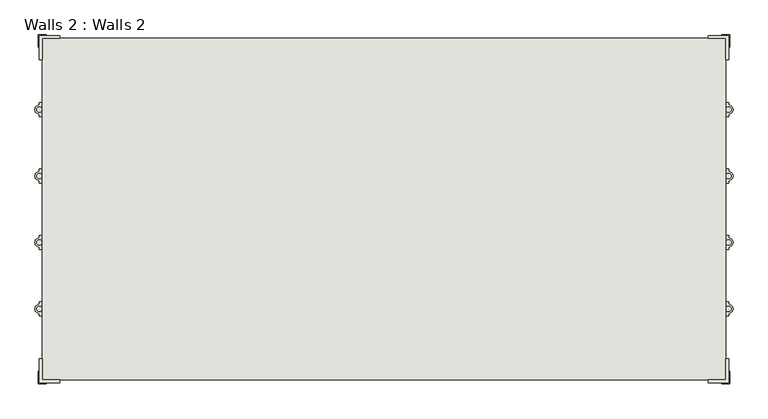
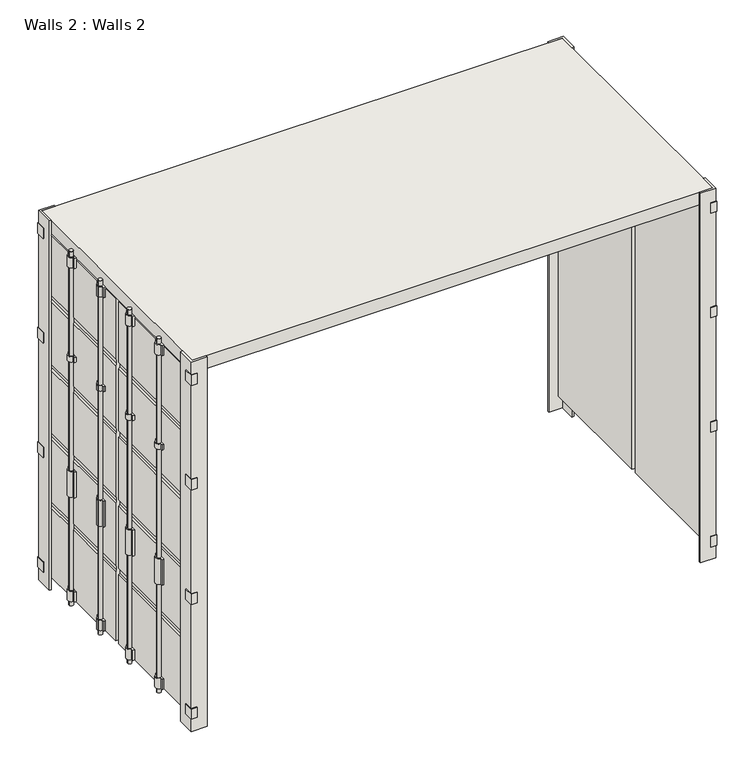
"""IFC4 building model written with IfcOpenShell, lengths in millimetres: wall geometry, Walls 2 : Walls 2."""

from ifc_helpers import new_model, si_unit, point, frame, frame_2d, origin, origin_with_axes, place, context, project, spatial, polyline, circle_curve, trimmed, segment, composite_curve, outline, extrude, source, transform, mapped, element, save


def walls_2_walls_2_3398b78e(model_context):
    return source(origin(), model_context, "Body", "SweptSolid", [
        extrude(outline(composite_curve([segment(polyline([(8621.0934712, -173.1048078), (8621.0934712, -192.1548078)]), True, "CONTINUOUS"), segment(trimmed(circle_curve(frame_2d((8621.0934712, -223.9048078)), 31.75), [point((8621.0934712, -192.1548078))], [point((8621.0934712, -255.6548078))], False, "CARTESIAN"), True, "CONTINUOUS"), segment(polyline([(8621.0934712, -255.6548078), (8621.0934712, -274.7048078), (8588.573087, -274.7048078), (8588.573087, -173.1048078), (8621.0934712, -173.1048078)]), True, "CONTINUOUS")], self_intersect=False), holes=[composite_curve([segment(trimmed(circle_curve(frame_2d((8621.0934712, -223.9048078)), 19.05), [point((8602.0434712, -223.9048078))], [point((8640.1434712, -223.9048078))], True, "CARTESIAN"), True, "CONTINUOUS"), segment(trimmed(circle_curve(frame_2d((8621.0934712, -223.9048078)), 19.05), [point((8640.1434712, -223.9048078))], [point((8602.0434712, -223.9048078))], True, "CARTESIAN"), True, "CONTINUOUS")], self_intersect=False)]), frame((0.0, 0.0, 1363.1333333), z_axis=(0.0, 0.0, 1.0), x_axis=(1.0, 0.0, 0.0)), (0.0, 0.0, 1.0), 50.8),
        extrude(outline(composite_curve([segment(polyline([(8621.0934712, -647.2381411), (8621.0934712, -666.2881411)]), True, "CONTINUOUS"), segment(trimmed(circle_curve(frame_2d((8621.0934712, -698.0381411)), 31.75), [point((8621.0934712, -666.2881411))], [point((8621.0934712, -729.7881411))], False, "CARTESIAN"), True, "CONTINUOUS"), segment(polyline([(8621.0934712, -729.7881411), (8621.0934712, -748.8381411), (8588.573087, -748.8381411), (8588.573087, -647.2381411), (8621.0934712, -647.2381411)]), True, "CONTINUOUS")], self_intersect=False), holes=[composite_curve([segment(trimmed(circle_curve(frame_2d((8621.0934712, -698.0381411)), 19.05), [point((8602.0434712, -698.0381411))], [point((8640.1434712, -698.0381411))], True, "CARTESIAN"), True, "CONTINUOUS"), segment(trimmed(circle_curve(frame_2d((8621.0934712, -698.0381411)), 19.05), [point((8640.1434712, -698.0381411))], [point((8602.0434712, -698.0381411))], True, "CARTESIAN"), True, "CONTINUOUS")], self_intersect=False)]), frame((0.0, 0.0, 1363.1333333), z_axis=(0.0, 0.0, 1.0), x_axis=(1.0, 0.0, 0.0)), (0.0, 0.0, 1.0), 50.8),
        extrude(outline(composite_curve([segment(polyline([(8621.0934712, -1121.3714744), (8621.0934712, -1140.4214744)]), True, "CONTINUOUS"), segment(trimmed(circle_curve(frame_2d((8621.0934712, -1172.1714744)), 31.75), [point((8621.0934712, -1140.4214744))], [point((8621.0934712, -1203.9214744))], False, "CARTESIAN"), True, "CONTINUOUS"), segment(polyline([(8621.0934712, -1203.9214744), (8621.0934712, -1222.9714744), (8588.573087, -1222.9714744), (8588.573087, -1121.3714744), (8621.0934712, -1121.3714744)]), True, "CONTINUOUS")], self_intersect=False), holes=[composite_curve([segment(trimmed(circle_curve(frame_2d((8621.0934712, -1172.1714744)), 19.05), [point((8602.0434712, -1172.1714744))], [point((8640.1434712, -1172.1714744))], True, "CARTESIAN"), True, "CONTINUOUS"), segment(trimmed(circle_curve(frame_2d((8621.0934712, -1172.1714744)), 19.05), [point((8640.1434712, -1172.1714744))], [point((8602.0434712, -1172.1714744))], True, "CARTESIAN"), True, "CONTINUOUS")], self_intersect=False)]), frame((0.0, 0.0, 1363.1333333), z_axis=(0.0, 0.0, 1.0), x_axis=(1.0, 0.0, 0.0)), (0.0, 0.0, 1.0), 50.8),
        extrude(outline(composite_curve([segment(polyline([(8621.0934712, -1595.5048078), (8621.0934712, -1614.5548078)]), True, "CONTINUOUS"), segment(trimmed(circle_curve(frame_2d((8621.0934712, -1646.3048078)), 31.75), [point((8621.0934712, -1614.5548078))], [point((8621.0934712, -1678.0548078))], False, "CARTESIAN"), True, "CONTINUOUS"), segment(polyline([(8621.0934712, -1678.0548078), (8621.0934712, -1697.1048078), (8588.573087, -1697.1048078), (8588.573087, -1595.5048078), (8621.0934712, -1595.5048078)]), True, "CONTINUOUS")], self_intersect=False), holes=[composite_curve([segment(trimmed(circle_curve(frame_2d((8621.0934712, -1646.3048078)), 19.05), [point((8602.0434712, -1646.3048078))], [point((8640.1434712, -1646.3048078))], True, "CARTESIAN"), True, "CONTINUOUS"), segment(trimmed(circle_curve(frame_2d((8621.0934712, -1646.3048078)), 19.05), [point((8640.1434712, -1646.3048078))], [point((8602.0434712, -1646.3048078))], True, "CARTESIAN"), True, "CONTINUOUS")], self_intersect=False)]), frame((0.0, 0.0, 1363.1333333), z_axis=(0.0, 0.0, 1.0), x_axis=(1.0, 0.0, 0.0)), (0.0, 0.0, 1.0), 50.8),
        extrude(outline(composite_curve([segment(polyline([(3706.1934712, -173.1048078), (3738.7138554, -173.1048078), (3738.7138554, -274.7048078), (3706.1934712, -274.7048078), (3706.1934712, -255.6548078)]), True, "CONTINUOUS"), segment(trimmed(circle_curve(frame_2d((3706.1934712, -223.9048078)), 31.75), [point((3706.1934712, -255.6548078))], [point((3706.1934712, -192.1548078))], False, "CARTESIAN"), True, "CONTINUOUS"), segment(polyline([(3706.1934712, -192.1548078), (3706.1934712, -173.1048078)]), True, "CONTINUOUS")], self_intersect=False), holes=[composite_curve([segment(trimmed(circle_curve(frame_2d((3706.1934712, -223.9048078)), 19.05), [point((3725.2434712, -223.9048078))], [point((3687.1434712, -223.9048078))], True, "CARTESIAN"), True, "CONTINUOUS"), segment(trimmed(circle_curve(frame_2d((3706.1934712, -223.9048078)), 19.05), [point((3687.1434712, -223.9048078))], [point((3725.2434712, -223.9048078))], True, "CARTESIAN"), True, "CONTINUOUS")], self_intersect=False)]), frame((0.0, 0.0, 1159.9333333), z_axis=(0.0, 0.0, 1.0), x_axis=(1.0, 0.0, 0.0)), (0.0, 0.0, 1.0), 254.0),
        extrude(outline(composite_curve([segment(polyline([(3706.1934712, -647.2381411), (3738.7138554, -647.2381411), (3738.7138554, -748.8381411), (3706.1934712, -748.8381411), (3706.1934712, -729.7881411)]), True, "CONTINUOUS"), segment(trimmed(circle_curve(frame_2d((3706.1934712, -698.0381411)), 31.75), [point((3706.1934712, -729.7881411))], [point((3706.1934712, -666.2881411))], False, "CARTESIAN"), True, "CONTINUOUS"), segment(polyline([(3706.1934712, -666.2881411), (3706.1934712, -647.2381411)]), True, "CONTINUOUS")], self_intersect=False), holes=[composite_curve([segment(trimmed(circle_curve(frame_2d((3706.1934712, -698.0381411)), 19.05), [point((3725.2434712, -698.0381411))], [point((3687.1434712, -698.0381411))], True, "CARTESIAN"), True, "CONTINUOUS"), segment(trimmed(circle_curve(frame_2d((3706.1934712, -698.0381411)), 19.05), [point((3687.1434712, -698.0381411))], [point((3725.2434712, -698.0381411))], True, "CARTESIAN"), True, "CONTINUOUS")], self_intersect=False)]), frame((0.0, 0.0, 1159.9333333), z_axis=(0.0, 0.0, 1.0), x_axis=(1.0, 0.0, 0.0)), (0.0, 0.0, 1.0), 254.0),
        extrude(outline(composite_curve([segment(polyline([(3706.1934712, -1121.3714744), (3738.7138554, -1121.3714744), (3738.7138554, -1222.9714744), (3706.1934712, -1222.9714744), (3706.1934712, -1203.9214744)]), True, "CONTINUOUS"), segment(trimmed(circle_curve(frame_2d((3706.1934712, -1172.1714744)), 31.75), [point((3706.1934712, -1203.9214744))], [point((3706.1934712, -1140.4214744))], False, "CARTESIAN"), True, "CONTINUOUS"), segment(polyline([(3706.1934712, -1140.4214744), (3706.1934712, -1121.3714744)]), True, "CONTINUOUS")], self_intersect=False), holes=[composite_curve([segment(trimmed(circle_curve(frame_2d((3706.1934712, -1172.1714744)), 19.05), [point((3725.2434712, -1172.1714744))], [point((3687.1434712, -1172.1714744))], True, "CARTESIAN"), True, "CONTINUOUS"), segment(trimmed(circle_curve(frame_2d((3706.1934712, -1172.1714744)), 19.05), [point((3687.1434712, -1172.1714744))], [point((3725.2434712, -1172.1714744))], True, "CARTESIAN"), True, "CONTINUOUS")], self_intersect=False)]), frame((0.0, 0.0, 1159.9333333), z_axis=(0.0, 0.0, 1.0), x_axis=(1.0, 0.0, 0.0)), (0.0, 0.0, 1.0), 254.0),
        extrude(outline(composite_curve([segment(polyline([(3706.1934712, -1595.5048078), (3738.7138554, -1595.5048078), (3738.7138554, -1697.1048078), (3706.1934712, -1697.1048078), (3706.1934712, -1678.0548078)]), True, "CONTINUOUS"), segment(trimmed(circle_curve(frame_2d((3706.1934712, -1646.3048078)), 31.75), [point((3706.1934712, -1678.0548078))], [point((3706.1934712, -1614.5548078))], False, "CARTESIAN"), True, "CONTINUOUS"), segment(polyline([(3706.1934712, -1614.5548078), (3706.1934712, -1595.5048078)]), True, "CONTINUOUS")], self_intersect=False), holes=[composite_curve([segment(trimmed(circle_curve(frame_2d((3706.1934712, -1646.3048078)), 19.05), [point((3725.2434712, -1646.3048078))], [point((3687.1434712, -1646.3048078))], True, "CARTESIAN"), True, "CONTINUOUS"), segment(trimmed(circle_curve(frame_2d((3706.1934712, -1646.3048078)), 19.05), [point((3687.1434712, -1646.3048078))], [point((3725.2434712, -1646.3048078))], True, "CARTESIAN"), True, "CONTINUOUS")], self_intersect=False)]), frame((0.0, 0.0, 1159.9333333), z_axis=(0.0, 0.0, 1.0), x_axis=(1.0, 0.0, 0.0)), (0.0, 0.0, 1.0), 254.0),
        extrude(outline(composite_curve([segment(polyline([(3706.1934712, -173.1048078), (3738.7138554, -173.1048078), (3738.7138554, -274.7048078), (3706.1934712, -274.7048078), (3706.1934712, -255.6548078)]), True, "CONTINUOUS"), segment(trimmed(circle_curve(frame_2d((3706.1934712, -223.9048078)), 31.75), [point((3706.1934712, -255.6548078))], [point((3706.1934712, -192.1548078))], False, "CARTESIAN"), True, "CONTINUOUS"), segment(polyline([(3706.1934712, -192.1548078), (3706.1934712, -173.1048078)]), True, "CONTINUOUS")], self_intersect=False), holes=[composite_curve([segment(trimmed(circle_curve(frame_2d((3706.1934712, -223.9048078)), 19.05), [point((3725.2434712, -223.9048078))], [point((3687.1434712, -223.9048078))], True, "CARTESIAN"), True, "CONTINUOUS"), segment(trimmed(circle_curve(frame_2d((3706.1934712, -223.9048078)), 19.05), [point((3687.1434712, -223.9048078))], [point((3725.2434712, -223.9048078))], True, "CARTESIAN"), True, "CONTINUOUS")], self_intersect=False)]), frame((0.0, 0.0, 2497.6666667), z_axis=(0.0, 0.0, 1.0), x_axis=(1.0, 0.0, 0.0)), (0.0, 0.0, 1.0), 50.8),
        extrude(outline(composite_curve([segment(polyline([(3706.1934712, -647.2381411), (3738.7138554, -647.2381411), (3738.7138554, -748.8381411), (3706.1934712, -748.8381411), (3706.1934712, -729.7881411)]), True, "CONTINUOUS"), segment(trimmed(circle_curve(frame_2d((3706.1934712, -698.0381411)), 31.75), [point((3706.1934712, -729.7881411))], [point((3706.1934712, -666.2881411))], False, "CARTESIAN"), True, "CONTINUOUS"), segment(polyline([(3706.1934712, -666.2881411), (3706.1934712, -647.2381411)]), True, "CONTINUOUS")], self_intersect=False), holes=[composite_curve([segment(trimmed(circle_curve(frame_2d((3706.1934712, -698.0381411)), 19.05), [point((3725.2434712, -698.0381411))], [point((3687.1434712, -698.0381411))], True, "CARTESIAN"), True, "CONTINUOUS"), segment(trimmed(circle_curve(frame_2d((3706.1934712, -698.0381411)), 19.05), [point((3687.1434712, -698.0381411))], [point((3725.2434712, -698.0381411))], True, "CARTESIAN"), True, "CONTINUOUS")], self_intersect=False)]), frame((0.0, 0.0, 2497.6666667), z_axis=(0.0, 0.0, 1.0), x_axis=(1.0, 0.0, 0.0)), (0.0, 0.0, 1.0), 50.8),
        extrude(outline(composite_curve([segment(polyline([(3706.1934712, -1121.3714744), (3738.7138554, -1121.3714744), (3738.7138554, -1222.9714744), (3706.1934712, -1222.9714744), (3706.1934712, -1203.9214744)]), True, "CONTINUOUS"), segment(trimmed(circle_curve(frame_2d((3706.1934712, -1172.1714744)), 31.75), [point((3706.1934712, -1203.9214744))], [point((3706.1934712, -1140.4214744))], False, "CARTESIAN"), True, "CONTINUOUS"), segment(polyline([(3706.1934712, -1140.4214744), (3706.1934712, -1121.3714744)]), True, "CONTINUOUS")], self_intersect=False), holes=[composite_curve([segment(trimmed(circle_curve(frame_2d((3706.1934712, -1172.1714744)), 19.05), [point((3725.2434712, -1172.1714744))], [point((3687.1434712, -1172.1714744))], True, "CARTESIAN"), True, "CONTINUOUS"), segment(trimmed(circle_curve(frame_2d((3706.1934712, -1172.1714744)), 19.05), [point((3687.1434712, -1172.1714744))], [point((3725.2434712, -1172.1714744))], True, "CARTESIAN"), True, "CONTINUOUS")], self_intersect=False)]), frame((0.0, 0.0, 2497.6666667), z_axis=(0.0, 0.0, 1.0), x_axis=(1.0, 0.0, 0.0)), (0.0, 0.0, 1.0), 50.8),
        extrude(outline(composite_curve([segment(polyline([(3706.1934712, -1595.5048078), (3738.7138554, -1595.5048078), (3738.7138554, -1697.1048078), (3706.1934712, -1697.1048078), (3706.1934712, -1678.0548078)]), True, "CONTINUOUS"), segment(trimmed(circle_curve(frame_2d((3706.1934712, -1646.3048078)), 31.75), [point((3706.1934712, -1678.0548078))], [point((3706.1934712, -1614.5548078))], False, "CARTESIAN"), True, "CONTINUOUS"), segment(polyline([(3706.1934712, -1614.5548078), (3706.1934712, -1595.5048078)]), True, "CONTINUOUS")], self_intersect=False), holes=[composite_curve([segment(trimmed(circle_curve(frame_2d((3706.1934712, -1646.3048078)), 19.05), [point((3725.2434712, -1646.3048078))], [point((3687.1434712, -1646.3048078))], True, "CARTESIAN"), True, "CONTINUOUS"), segment(trimmed(circle_curve(frame_2d((3706.1934712, -1646.3048078)), 19.05), [point((3687.1434712, -1646.3048078))], [point((3725.2434712, -1646.3048078))], True, "CARTESIAN"), True, "CONTINUOUS")], self_intersect=False)]), frame((0.0, 0.0, 2497.6666667), z_axis=(0.0, 0.0, 1.0), x_axis=(1.0, 0.0, 0.0)), (0.0, 0.0, 1.0), 50.8),
        extrude(outline(composite_curve([segment(polyline([(3706.1934712, -173.1048078), (3738.7138554, -173.1048078), (3738.7138554, -274.7048078), (3706.1934712, -274.7048078), (3706.1934712, -255.6548078)]), True, "CONTINUOUS"), segment(trimmed(circle_curve(frame_2d((3706.1934712, -223.9048078)), 31.75), [point((3706.1934712, -255.6548078))], [point((3706.1934712, -192.1548078))], False, "CARTESIAN"), True, "CONTINUOUS"), segment(polyline([(3706.1934712, -192.1548078), (3706.1934712, -173.1048078)]), True, "CONTINUOUS")], self_intersect=False), holes=[composite_curve([segment(trimmed(circle_curve(frame_2d((3706.1934712, -223.9048078)), 19.05), [point((3725.2434712, -223.9048078))], [point((3687.1434712, -223.9048078))], True, "CARTESIAN"), True, "CONTINUOUS"), segment(trimmed(circle_curve(frame_2d((3706.1934712, -223.9048078)), 19.05), [point((3687.1434712, -223.9048078))], [point((3725.2434712, -223.9048078))], True, "CARTESIAN"), True, "CONTINUOUS")], self_intersect=False)]), frame((0.0, 0.0, 3429.0), z_axis=(0.0, 0.0, 1.0), x_axis=(1.0, 0.0, 0.0)), (0.0, 0.0, 1.0), 101.6),
        extrude(outline(composite_curve([segment(polyline([(3706.1934712, -647.2381411), (3738.7138554, -647.2381411), (3738.7138554, -748.8381411), (3706.1934712, -748.8381411), (3706.1934712, -729.7881411)]), True, "CONTINUOUS"), segment(trimmed(circle_curve(frame_2d((3706.1934712, -698.0381411)), 31.75), [point((3706.1934712, -729.7881411))], [point((3706.1934712, -666.2881411))], False, "CARTESIAN"), True, "CONTINUOUS"), segment(polyline([(3706.1934712, -666.2881411), (3706.1934712, -647.2381411)]), True, "CONTINUOUS")], self_intersect=False), holes=[composite_curve([segment(trimmed(circle_curve(frame_2d((3706.1934712, -698.0381411)), 19.05), [point((3725.2434712, -698.0381411))], [point((3687.1434712, -698.0381411))], True, "CARTESIAN"), True, "CONTINUOUS"), segment(trimmed(circle_curve(frame_2d((3706.1934712, -698.0381411)), 19.05), [point((3687.1434712, -698.0381411))], [point((3725.2434712, -698.0381411))], True, "CARTESIAN"), True, "CONTINUOUS")], self_intersect=False)]), frame((0.0, 0.0, 3429.0), z_axis=(0.0, 0.0, 1.0), x_axis=(1.0, 0.0, 0.0)), (0.0, 0.0, 1.0), 101.6),
        extrude(outline(composite_curve([segment(polyline([(3706.1934712, -1121.3714744), (3738.7138554, -1121.3714744), (3738.7138554, -1222.9714744), (3706.1934712, -1222.9714744), (3706.1934712, -1203.9214744)]), True, "CONTINUOUS"), segment(trimmed(circle_curve(frame_2d((3706.1934712, -1172.1714744)), 31.75), [point((3706.1934712, -1203.9214744))], [point((3706.1934712, -1140.4214744))], False, "CARTESIAN"), True, "CONTINUOUS"), segment(polyline([(3706.1934712, -1140.4214744), (3706.1934712, -1121.3714744)]), True, "CONTINUOUS")], self_intersect=False), holes=[composite_curve([segment(trimmed(circle_curve(frame_2d((3706.1934712, -1172.1714744)), 19.05), [point((3725.2434712, -1172.1714744))], [point((3687.1434712, -1172.1714744))], True, "CARTESIAN"), True, "CONTINUOUS"), segment(trimmed(circle_curve(frame_2d((3706.1934712, -1172.1714744)), 19.05), [point((3687.1434712, -1172.1714744))], [point((3725.2434712, -1172.1714744))], True, "CARTESIAN"), True, "CONTINUOUS")], self_intersect=False)]), frame((0.0, 0.0, 3429.0), z_axis=(0.0, 0.0, 1.0), x_axis=(1.0, 0.0, 0.0)), (0.0, 0.0, 1.0), 101.6),
        extrude(outline(composite_curve([segment(polyline([(3706.1934712, -1595.5048078), (3738.7138554, -1595.5048078), (3738.7138554, -1697.1048078), (3706.1934712, -1697.1048078), (3706.1934712, -1678.0548078)]), True, "CONTINUOUS"), segment(trimmed(circle_curve(frame_2d((3706.1934712, -1646.3048078)), 31.75), [point((3706.1934712, -1678.0548078))], [point((3706.1934712, -1614.5548078))], False, "CARTESIAN"), True, "CONTINUOUS"), segment(polyline([(3706.1934712, -1614.5548078), (3706.1934712, -1595.5048078)]), True, "CONTINUOUS")], self_intersect=False), holes=[composite_curve([segment(trimmed(circle_curve(frame_2d((3706.1934712, -1646.3048078)), 19.05), [point((3725.2434712, -1646.3048078))], [point((3687.1434712, -1646.3048078))], True, "CARTESIAN"), True, "CONTINUOUS"), segment(trimmed(circle_curve(frame_2d((3706.1934712, -1646.3048078)), 19.05), [point((3687.1434712, -1646.3048078))], [point((3725.2434712, -1646.3048078))], True, "CARTESIAN"), True, "CONTINUOUS")], self_intersect=False)]), frame((0.0, 0.0, 3429.0), z_axis=(0.0, 0.0, 1.0), x_axis=(1.0, 0.0, 0.0)), (0.0, 0.0, 1.0), 101.6),
        extrude(outline(composite_curve([segment(polyline([(3706.1934712, -173.1048078), (3738.7138554, -173.1048078), (3738.7138554, -274.7048078), (3706.1934712, -274.7048078), (3706.1934712, -255.6548078)]), True, "CONTINUOUS"), segment(trimmed(circle_curve(frame_2d((3706.1934712, -223.9048078)), 31.75), [point((3706.1934712, -255.6548078))], [point((3706.1934712, -192.1548078))], False, "CARTESIAN"), True, "CONTINUOUS"), segment(polyline([(3706.1934712, -192.1548078), (3706.1934712, -173.1048078)]), True, "CONTINUOUS")], self_intersect=False), holes=[composite_curve([segment(trimmed(circle_curve(frame_2d((3706.1934712, -223.9048078)), 19.05), [point((3725.2434712, -223.9048078))], [point((3687.1434712, -223.9048078))], True, "CARTESIAN"), True, "CONTINUOUS"), segment(trimmed(circle_curve(frame_2d((3706.1934712, -223.9048078)), 19.05), [point((3687.1434712, -223.9048078))], [point((3725.2434712, -223.9048078))], True, "CARTESIAN"), True, "CONTINUOUS")], self_intersect=False)]), frame((0.0, 0.0, 127.0), z_axis=(0.0, 0.0, 1.0), x_axis=(1.0, 0.0, 0.0)), (0.0, 0.0, 1.0), 101.6),
        extrude(outline(composite_curve([segment(polyline([(3706.1934712, -647.2381411), (3738.7138554, -647.2381411), (3738.7138554, -748.8381411), (3706.1934712, -748.8381411), (3706.1934712, -729.7881411)]), True, "CONTINUOUS"), segment(trimmed(circle_curve(frame_2d((3706.1934712, -698.0381411)), 31.75), [point((3706.1934712, -729.7881411))], [point((3706.1934712, -666.2881411))], False, "CARTESIAN"), True, "CONTINUOUS"), segment(polyline([(3706.1934712, -666.2881411), (3706.1934712, -647.2381411)]), True, "CONTINUOUS")], self_intersect=False), holes=[composite_curve([segment(trimmed(circle_curve(frame_2d((3706.1934712, -698.0381411)), 19.05), [point((3725.2434712, -698.0381411))], [point((3687.1434712, -698.0381411))], True, "CARTESIAN"), True, "CONTINUOUS"), segment(trimmed(circle_curve(frame_2d((3706.1934712, -698.0381411)), 19.05), [point((3687.1434712, -698.0381411))], [point((3725.2434712, -698.0381411))], True, "CARTESIAN"), True, "CONTINUOUS")], self_intersect=False)]), frame((0.0, 0.0, 127.0), z_axis=(0.0, 0.0, 1.0), x_axis=(1.0, 0.0, 0.0)), (0.0, 0.0, 1.0), 101.6),
        extrude(outline(composite_curve([segment(polyline([(3706.1934712, -1121.3714744), (3738.7138554, -1121.3714744), (3738.7138554, -1222.9714744), (3706.1934712, -1222.9714744), (3706.1934712, -1203.9214744)]), True, "CONTINUOUS"), segment(trimmed(circle_curve(frame_2d((3706.1934712, -1172.1714744)), 31.75), [point((3706.1934712, -1203.9214744))], [point((3706.1934712, -1140.4214744))], False, "CARTESIAN"), True, "CONTINUOUS"), segment(polyline([(3706.1934712, -1140.4214744), (3706.1934712, -1121.3714744)]), True, "CONTINUOUS")], self_intersect=False), holes=[composite_curve([segment(trimmed(circle_curve(frame_2d((3706.1934712, -1172.1714744)), 19.05), [point((3725.2434712, -1172.1714744))], [point((3687.1434712, -1172.1714744))], True, "CARTESIAN"), True, "CONTINUOUS"), segment(trimmed(circle_curve(frame_2d((3706.1934712, -1172.1714744)), 19.05), [point((3687.1434712, -1172.1714744))], [point((3725.2434712, -1172.1714744))], True, "CARTESIAN"), True, "CONTINUOUS")], self_intersect=False)]), frame((0.0, 0.0, 127.0), z_axis=(0.0, 0.0, 1.0), x_axis=(1.0, 0.0, 0.0)), (0.0, 0.0, 1.0), 101.6),
        extrude(outline(composite_curve([segment(polyline([(3706.1934712, -1595.5048078), (3738.7138554, -1595.5048078), (3738.7138554, -1697.1048078), (3706.1934712, -1697.1048078), (3706.1934712, -1678.0548078)]), True, "CONTINUOUS"), segment(trimmed(circle_curve(frame_2d((3706.1934712, -1646.3048078)), 31.75), [point((3706.1934712, -1678.0548078))], [point((3706.1934712, -1614.5548078))], False, "CARTESIAN"), True, "CONTINUOUS"), segment(polyline([(3706.1934712, -1614.5548078), (3706.1934712, -1595.5048078)]), True, "CONTINUOUS")], self_intersect=False), holes=[composite_curve([segment(trimmed(circle_curve(frame_2d((3706.1934712, -1646.3048078)), 19.05), [point((3725.2434712, -1646.3048078))], [point((3687.1434712, -1646.3048078))], True, "CARTESIAN"), True, "CONTINUOUS"), segment(trimmed(circle_curve(frame_2d((3706.1934712, -1646.3048078)), 19.05), [point((3687.1434712, -1646.3048078))], [point((3725.2434712, -1646.3048078))], True, "CARTESIAN"), True, "CONTINUOUS")], self_intersect=False)]), frame((0.0, 0.0, 127.0), z_axis=(0.0, 0.0, 1.0), x_axis=(1.0, 0.0, 0.0)), (0.0, 0.0, 1.0), 101.6),
        extrude(outline(composite_curve([segment(polyline([(8621.0934712, -173.1048078), (8621.0934712, -192.1548078)]), True, "CONTINUOUS"), segment(trimmed(circle_curve(frame_2d((8621.0934712, -223.9048078)), 31.75), [point((8621.0934712, -192.1548078))], [point((8621.0934712, -255.6548078))], False, "CARTESIAN"), True, "CONTINUOUS"), segment(polyline([(8621.0934712, -255.6548078), (8621.0934712, -274.7048078), (8588.573087, -274.7048078), (8588.573087, -173.1048078), (8621.0934712, -173.1048078)]), True, "CONTINUOUS")], self_intersect=False), holes=[composite_curve([segment(trimmed(circle_curve(frame_2d((8621.0934712, -223.9048078)), 19.05), [point((8602.0434712, -223.9048078))], [point((8640.1434712, -223.9048078))], True, "CARTESIAN"), True, "CONTINUOUS"), segment(trimmed(circle_curve(frame_2d((8621.0934712, -223.9048078)), 19.05), [point((8640.1434712, -223.9048078))], [point((8602.0434712, -223.9048078))], True, "CARTESIAN"), True, "CONTINUOUS")], self_intersect=False)]), frame((0.0, 0.0, 3429.0), z_axis=(0.0, 0.0, 1.0), x_axis=(1.0, 0.0, 0.0)), (0.0, 0.0, 1.0), 101.6),
        extrude(outline(composite_curve([segment(polyline([(8621.0934712, -647.2381411), (8621.0934712, -666.2881411)]), True, "CONTINUOUS"), segment(trimmed(circle_curve(frame_2d((8621.0934712, -698.0381411)), 31.75), [point((8621.0934712, -666.2881411))], [point((8621.0934712, -729.7881411))], False, "CARTESIAN"), True, "CONTINUOUS"), segment(polyline([(8621.0934712, -729.7881411), (8621.0934712, -748.8381411), (8588.573087, -748.8381411), (8588.573087, -647.2381411), (8621.0934712, -647.2381411)]), True, "CONTINUOUS")], self_intersect=False), holes=[composite_curve([segment(trimmed(circle_curve(frame_2d((8621.0934712, -698.0381411)), 19.05), [point((8602.0434712, -698.0381411))], [point((8640.1434712, -698.0381411))], True, "CARTESIAN"), True, "CONTINUOUS"), segment(trimmed(circle_curve(frame_2d((8621.0934712, -698.0381411)), 19.05), [point((8640.1434712, -698.0381411))], [point((8602.0434712, -698.0381411))], True, "CARTESIAN"), True, "CONTINUOUS")], self_intersect=False)]), frame((0.0, 0.0, 3429.0), z_axis=(0.0, 0.0, 1.0), x_axis=(1.0, 0.0, 0.0)), (0.0, 0.0, 1.0), 101.6),
        extrude(outline(composite_curve([segment(polyline([(8621.0934712, -1121.3714744), (8621.0934712, -1140.4214744)]), True, "CONTINUOUS"), segment(trimmed(circle_curve(frame_2d((8621.0934712, -1172.1714744)), 31.75), [point((8621.0934712, -1140.4214744))], [point((8621.0934712, -1203.9214744))], False, "CARTESIAN"), True, "CONTINUOUS"), segment(polyline([(8621.0934712, -1203.9214744), (8621.0934712, -1222.9714744), (8588.573087, -1222.9714744), (8588.573087, -1121.3714744), (8621.0934712, -1121.3714744)]), True, "CONTINUOUS")], self_intersect=False), holes=[composite_curve([segment(trimmed(circle_curve(frame_2d((8621.0934712, -1172.1714744)), 19.05), [point((8602.0434712, -1172.1714744))], [point((8640.1434712, -1172.1714744))], True, "CARTESIAN"), True, "CONTINUOUS"), segment(trimmed(circle_curve(frame_2d((8621.0934712, -1172.1714744)), 19.05), [point((8640.1434712, -1172.1714744))], [point((8602.0434712, -1172.1714744))], True, "CARTESIAN"), True, "CONTINUOUS")], self_intersect=False)]), frame((0.0, 0.0, 3429.0), z_axis=(0.0, 0.0, 1.0), x_axis=(1.0, 0.0, 0.0)), (0.0, 0.0, 1.0), 101.6),
        extrude(outline(composite_curve([segment(polyline([(8621.0934712, -1595.5048078), (8621.0934712, -1614.5548078)]), True, "CONTINUOUS"), segment(trimmed(circle_curve(frame_2d((8621.0934712, -1646.3048078)), 31.75), [point((8621.0934712, -1614.5548078))], [point((8621.0934712, -1678.0548078))], False, "CARTESIAN"), True, "CONTINUOUS"), segment(polyline([(8621.0934712, -1678.0548078), (8621.0934712, -1697.1048078), (8588.573087, -1697.1048078), (8588.573087, -1595.5048078), (8621.0934712, -1595.5048078)]), True, "CONTINUOUS")], self_intersect=False), holes=[composite_curve([segment(trimmed(circle_curve(frame_2d((8621.0934712, -1646.3048078)), 19.05), [point((8602.0434712, -1646.3048078))], [point((8640.1434712, -1646.3048078))], True, "CARTESIAN"), True, "CONTINUOUS"), segment(trimmed(circle_curve(frame_2d((8621.0934712, -1646.3048078)), 19.05), [point((8640.1434712, -1646.3048078))], [point((8602.0434712, -1646.3048078))], True, "CARTESIAN"), True, "CONTINUOUS")], self_intersect=False)]), frame((0.0, 0.0, 3429.0), z_axis=(0.0, 0.0, 1.0), x_axis=(1.0, 0.0, 0.0)), (0.0, 0.0, 1.0), 101.6),
        extrude(outline(composite_curve([segment(polyline([(8621.0934712, -173.1048078), (8621.0934712, -192.1548078)]), True, "CONTINUOUS"), segment(trimmed(circle_curve(frame_2d((8621.0934712, -223.9048078)), 31.75), [point((8621.0934712, -192.1548078))], [point((8621.0934712, -255.6548078))], False, "CARTESIAN"), True, "CONTINUOUS"), segment(polyline([(8621.0934712, -255.6548078), (8621.0934712, -274.7048078), (8588.573087, -274.7048078), (8588.573087, -173.1048078), (8621.0934712, -173.1048078)]), True, "CONTINUOUS")], self_intersect=False), holes=[composite_curve([segment(trimmed(circle_curve(frame_2d((8621.0934712, -223.9048078)), 19.05), [point((8602.0434712, -223.9048078))], [point((8640.1434712, -223.9048078))], True, "CARTESIAN"), True, "CONTINUOUS"), segment(trimmed(circle_curve(frame_2d((8621.0934712, -223.9048078)), 19.05), [point((8640.1434712, -223.9048078))], [point((8602.0434712, -223.9048078))], True, "CARTESIAN"), True, "CONTINUOUS")], self_intersect=False)]), frame((0.0, 0.0, 127.0), z_axis=(0.0, 0.0, 1.0), x_axis=(1.0, 0.0, 0.0)), (0.0, 0.0, 1.0), 101.6),
        extrude(outline(composite_curve([segment(polyline([(8621.0934712, -647.2381411), (8621.0934712, -666.2881411)]), True, "CONTINUOUS"), segment(trimmed(circle_curve(frame_2d((8621.0934712, -698.0381411)), 31.75), [point((8621.0934712, -666.2881411))], [point((8621.0934712, -729.7881411))], False, "CARTESIAN"), True, "CONTINUOUS"), segment(polyline([(8621.0934712, -729.7881411), (8621.0934712, -748.8381411), (8588.573087, -748.8381411), (8588.573087, -647.2381411), (8621.0934712, -647.2381411)]), True, "CONTINUOUS")], self_intersect=False), holes=[composite_curve([segment(trimmed(circle_curve(frame_2d((8621.0934712, -698.0381411)), 19.05), [point((8602.0434712, -698.0381411))], [point((8640.1434712, -698.0381411))], True, "CARTESIAN"), True, "CONTINUOUS"), segment(trimmed(circle_curve(frame_2d((8621.0934712, -698.0381411)), 19.05), [point((8640.1434712, -698.0381411))], [point((8602.0434712, -698.0381411))], True, "CARTESIAN"), True, "CONTINUOUS")], self_intersect=False)]), frame((0.0, 0.0, 127.0), z_axis=(0.0, 0.0, 1.0), x_axis=(1.0, 0.0, 0.0)), (0.0, 0.0, 1.0), 101.6),
        extrude(outline(composite_curve([segment(polyline([(8621.0934712, -1121.3714744), (8621.0934712, -1140.4214744)]), True, "CONTINUOUS"), segment(trimmed(circle_curve(frame_2d((8621.0934712, -1172.1714744)), 31.75), [point((8621.0934712, -1140.4214744))], [point((8621.0934712, -1203.9214744))], False, "CARTESIAN"), True, "CONTINUOUS"), segment(polyline([(8621.0934712, -1203.9214744), (8621.0934712, -1222.9714744), (8588.573087, -1222.9714744), (8588.573087, -1121.3714744), (8621.0934712, -1121.3714744)]), True, "CONTINUOUS")], self_intersect=False), holes=[composite_curve([segment(trimmed(circle_curve(frame_2d((8621.0934712, -1172.1714744)), 19.05), [point((8602.0434712, -1172.1714744))], [point((8640.1434712, -1172.1714744))], True, "CARTESIAN"), True, "CONTINUOUS"), segment(trimmed(circle_curve(frame_2d((8621.0934712, -1172.1714744)), 19.05), [point((8640.1434712, -1172.1714744))], [point((8602.0434712, -1172.1714744))], True, "CARTESIAN"), True, "CONTINUOUS")], self_intersect=False)]), frame((0.0, 0.0, 127.0), z_axis=(0.0, 0.0, 1.0), x_axis=(1.0, 0.0, 0.0)), (0.0, 0.0, 1.0), 101.6),
        extrude(outline(composite_curve([segment(polyline([(8621.0934712, -1595.5048078), (8621.0934712, -1614.5548078)]), True, "CONTINUOUS"), segment(trimmed(circle_curve(frame_2d((8621.0934712, -1646.3048078)), 31.75), [point((8621.0934712, -1614.5548078))], [point((8621.0934712, -1678.0548078))], False, "CARTESIAN"), True, "CONTINUOUS"), segment(polyline([(8621.0934712, -1678.0548078), (8621.0934712, -1697.1048078), (8588.573087, -1697.1048078), (8588.573087, -1595.5048078), (8621.0934712, -1595.5048078)]), True, "CONTINUOUS")], self_intersect=False), holes=[composite_curve([segment(trimmed(circle_curve(frame_2d((8621.0934712, -1646.3048078)), 19.05), [point((8602.0434712, -1646.3048078))], [point((8640.1434712, -1646.3048078))], True, "CARTESIAN"), True, "CONTINUOUS"), segment(trimmed(circle_curve(frame_2d((8621.0934712, -1646.3048078)), 19.05), [point((8640.1434712, -1646.3048078))], [point((8602.0434712, -1646.3048078))], True, "CARTESIAN"), True, "CONTINUOUS")], self_intersect=False)]), frame((0.0, 0.0, 127.0), z_axis=(0.0, 0.0, 1.0), x_axis=(1.0, 0.0, 0.0)), (0.0, 0.0, 1.0), 101.6),
        extrude(outline(composite_curve([segment(trimmed(circle_curve(frame_2d((3706.1934712, -1172.1714744)), 19.05), [point((3725.2434712, -1172.1714744))], [point((3687.1434712, -1172.1714744))], False, "CARTESIAN"), True, "CONTINUOUS"), segment(trimmed(circle_curve(frame_2d((3706.1934712, -1172.1714744)), 19.05), [point((3687.1434712, -1172.1714744))], [point((3725.2434712, -1172.1714744))], False, "CARTESIAN"), True, "CONTINUOUS")], self_intersect=False)), frame((0.0, 0.0, 76.2), z_axis=(0.0, 0.0, 1.0), x_axis=(1.0, 0.0, 0.0)), (0.0, 0.0, 1.0), 3505.2),
        extrude(outline(composite_curve([segment(trimmed(circle_curve(frame_2d((3706.1934712, -1646.3048078)), 19.05), [point((3725.2434712, -1646.3048078))], [point((3687.1434712, -1646.3048078))], False, "CARTESIAN"), True, "CONTINUOUS"), segment(trimmed(circle_curve(frame_2d((3706.1934712, -1646.3048078)), 19.05), [point((3687.1434712, -1646.3048078))], [point((3725.2434712, -1646.3048078))], False, "CARTESIAN"), True, "CONTINUOUS")], self_intersect=False)), frame((0.0, 0.0, 76.2), z_axis=(0.0, 0.0, 1.0), x_axis=(1.0, 0.0, 0.0)), (0.0, 0.0, 1.0), 3505.2),
        extrude(outline(composite_curve([segment(trimmed(circle_curve(frame_2d((3706.1934712, -698.0381411)), 19.05), [point((3725.2434712, -698.0381411))], [point((3687.1434712, -698.0381411))], False, "CARTESIAN"), True, "CONTINUOUS"), segment(trimmed(circle_curve(frame_2d((3706.1934712, -698.0381411)), 19.05), [point((3687.1434712, -698.0381411))], [point((3725.2434712, -698.0381411))], False, "CARTESIAN"), True, "CONTINUOUS")], self_intersect=False)), frame((0.0, 0.0, 76.2), z_axis=(0.0, 0.0, 1.0), x_axis=(1.0, 0.0, 0.0)), (0.0, 0.0, 1.0), 3505.2),
        extrude(outline(composite_curve([segment(trimmed(circle_curve(frame_2d((3706.1934712, -223.9048078)), 19.05), [point((3725.2434712, -223.9048078))], [point((3687.1434712, -223.9048078))], False, "CARTESIAN"), True, "CONTINUOUS"), segment(trimmed(circle_curve(frame_2d((3706.1934712, -223.9048078)), 19.05), [point((3687.1434712, -223.9048078))], [point((3725.2434712, -223.9048078))], False, "CARTESIAN"), True, "CONTINUOUS")], self_intersect=False)), frame((0.0, 0.0, 76.2), z_axis=(0.0, 0.0, 1.0), x_axis=(1.0, 0.0, 0.0)), (0.0, 0.0, 1.0), 3505.2),
        extrude(outline(composite_curve([segment(trimmed(circle_curve(frame_2d((8621.0934712, -1172.1714744)), 19.05), [point((8602.0434712, -1172.1714744))], [point((8640.1434712, -1172.1714744))], False, "CARTESIAN"), True, "CONTINUOUS"), segment(trimmed(circle_curve(frame_2d((8621.0934712, -1172.1714744)), 19.05), [point((8640.1434712, -1172.1714744))], [point((8602.0434712, -1172.1714744))], False, "CARTESIAN"), True, "CONTINUOUS")], self_intersect=False)), frame((0.0, 0.0, 76.2), z_axis=(0.0, 0.0, 1.0), x_axis=(1.0, 0.0, 0.0)), (0.0, 0.0, 1.0), 3505.2),
        extrude(outline(composite_curve([segment(trimmed(circle_curve(frame_2d((8621.0934712, -1646.3048078)), 19.05), [point((8602.0434712, -1646.3048078))], [point((8640.1434712, -1646.3048078))], False, "CARTESIAN"), True, "CONTINUOUS"), segment(trimmed(circle_curve(frame_2d((8621.0934712, -1646.3048078)), 19.05), [point((8640.1434712, -1646.3048078))], [point((8602.0434712, -1646.3048078))], False, "CARTESIAN"), True, "CONTINUOUS")], self_intersect=False)), frame((0.0, 0.0, 76.2), z_axis=(0.0, 0.0, 1.0), x_axis=(1.0, 0.0, 0.0)), (0.0, 0.0, 1.0), 3505.2),
        extrude(outline(composite_curve([segment(trimmed(circle_curve(frame_2d((8621.0934712, -698.0381411)), 19.05), [point((8602.0434712, -698.0381411))], [point((8640.1434712, -698.0381411))], False, "CARTESIAN"), True, "CONTINUOUS"), segment(trimmed(circle_curve(frame_2d((8621.0934712, -698.0381411)), 19.05), [point((8640.1434712, -698.0381411))], [point((8602.0434712, -698.0381411))], False, "CARTESIAN"), True, "CONTINUOUS")], self_intersect=False)), frame((0.0, 0.0, 76.2), z_axis=(0.0, 0.0, 1.0), x_axis=(1.0, 0.0, 0.0)), (0.0, 0.0, 1.0), 3505.2),
        extrude(outline(composite_curve([segment(trimmed(circle_curve(frame_2d((8621.0934712, -223.9048078)), 19.05), [point((8602.0434712, -223.9048078))], [point((8640.1434712, -223.9048078))], False, "CARTESIAN"), True, "CONTINUOUS"), segment(trimmed(circle_curve(frame_2d((8621.0934712, -223.9048078)), 19.05), [point((8640.1434712, -223.9048078))], [point((8602.0434712, -223.9048078))], False, "CARTESIAN"), True, "CONTINUOUS")], self_intersect=False)), frame((0.0, 0.0, 76.2), z_axis=(0.0, 0.0, 1.0), x_axis=(1.0, 0.0, 0.0)), (0.0, 0.0, 1.0), 3505.2),
        extrude(outline(polyline([(3756.9934712, 309.4951922), (3756.9934712, 303.1451922), (3706.1934712, 303.1451922), (3706.1934712, 220.5951922), (3699.8434712, 220.5951922), (3699.8434712, 309.4951922), (3756.9934712, 309.4951922)])), frame((0.0, 0.0, 3429.0), z_axis=(0.0, 0.0, 1.0), x_axis=(1.0, 0.0, 0.0)), (0.0, 0.0, 1.0), 101.6),
        extrude(outline(polyline([(3756.9934712, 309.4951922), (3756.9934712, 303.1451922), (3706.1934712, 303.1451922), (3706.1934712, 220.5951922), (3699.8434712, 220.5951922), (3699.8434712, 309.4951922), (3756.9934712, 309.4951922)])), frame((0.0, 0.0, 2396.0666667), z_axis=(0.0, 0.0, 1.0), x_axis=(1.0, 0.0, 0.0)), (0.0, 0.0, 1.0), 101.6),
        extrude(outline(polyline([(3756.9934712, 309.4951922), (3756.9934712, 303.1451922), (3706.1934712, 303.1451922), (3706.1934712, 220.5951922), (3699.8434712, 220.5951922), (3699.8434712, 309.4951922), (3756.9934712, 309.4951922)])), frame((0.0, 0.0, 1261.5333333), z_axis=(0.0, 0.0, 1.0), x_axis=(1.0, 0.0, 0.0)), (0.0, 0.0, 1.0), 101.6),
        extrude(outline(polyline([(3756.9934712, 309.4951922), (3756.9934712, 303.1451922), (3706.1934712, 303.1451922), (3706.1934712, 220.5951922), (3699.8434712, 220.5951922), (3699.8434712, 309.4951922), (3756.9934712, 309.4951922)])), frame((0.0, 0.0, 127.0), z_axis=(0.0, 0.0, 1.0), x_axis=(1.0, 0.0, 0.0)), (0.0, 0.0, 1.0), 101.6),
        extrude(outline(polyline([(8570.2934712, 309.4951922), (8627.4434712, 309.4951922), (8627.4434712, 220.5951922), (8621.0934712, 220.5951922), (8621.0934712, 303.1451922), (8570.2934712, 303.1451922), (8570.2934712, 309.4951922)])), frame((0.0, 0.0, 3429.0), z_axis=(0.0, 0.0, 1.0), x_axis=(1.0, 0.0, 0.0)), (0.0, 0.0, 1.0), 101.6),
        extrude(outline(polyline([(8570.2934712, 309.4951922), (8627.4434712, 309.4951922), (8627.4434712, 220.5951922), (8621.0934712, 220.5951922), (8621.0934712, 303.1451922), (8570.2934712, 303.1451922), (8570.2934712, 309.4951922)])), frame((0.0, 0.0, 2396.0666667), z_axis=(0.0, 0.0, 1.0), x_axis=(1.0, 0.0, 0.0)), (0.0, 0.0, 1.0), 101.6),
        extrude(outline(polyline([(8570.2934712, 309.4951922), (8627.4434712, 309.4951922), (8627.4434712, 220.5951922), (8621.0934712, 220.5951922), (8621.0934712, 303.1451922), (8570.2934712, 303.1451922), (8570.2934712, 309.4951922)])), frame((0.0, 0.0, 1261.5333333), z_axis=(0.0, 0.0, 1.0), x_axis=(1.0, 0.0, 0.0)), (0.0, 0.0, 1.0), 101.6),
        extrude(outline(polyline([(8570.2934712, 309.4951922), (8627.4434712, 309.4951922), (8627.4434712, 220.5951922), (8621.0934712, 220.5951922), (8621.0934712, 303.1451922), (8570.2934712, 303.1451922), (8570.2934712, 309.4951922)])), frame((0.0, 0.0, 127.0), z_axis=(0.0, 0.0, 1.0), x_axis=(1.0, 0.0, 0.0)), (0.0, 0.0, 1.0), 101.6),
        extrude(outline(polyline([(3756.9934712, -2179.7048078), (3699.8434712, -2179.7048078), (3699.8434712, -2090.8048078), (3706.1934712, -2090.8048078), (3706.1934712, -2173.3548078), (3756.9934712, -2173.3548078), (3756.9934712, -2179.7048078)])), frame((0.0, 0.0, 3429.0), z_axis=(0.0, 0.0, 1.0), x_axis=(1.0, 0.0, 0.0)), (0.0, 0.0, 1.0), 101.6),
        extrude(outline(polyline([(3756.9934712, -2179.7048078), (3699.8434712, -2179.7048078), (3699.8434712, -2090.8048078), (3706.1934712, -2090.8048078), (3706.1934712, -2173.3548078), (3756.9934712, -2173.3548078), (3756.9934712, -2179.7048078)])), frame((0.0, 0.0, 2396.0666667), z_axis=(0.0, 0.0, 1.0), x_axis=(1.0, 0.0, 0.0)), (0.0, 0.0, 1.0), 101.6),
        extrude(outline(polyline([(3756.9934712, -2179.7048078), (3699.8434712, -2179.7048078), (3699.8434712, -2090.8048078), (3706.1934712, -2090.8048078), (3706.1934712, -2173.3548078), (3756.9934712, -2173.3548078), (3756.9934712, -2179.7048078)])), frame((0.0, 0.0, 1261.5333333), z_axis=(0.0, 0.0, 1.0), x_axis=(1.0, 0.0, 0.0)), (0.0, 0.0, 1.0), 101.6),
        extrude(outline(polyline([(3756.9934712, -2179.7048078), (3699.8434712, -2179.7048078), (3699.8434712, -2090.8048078), (3706.1934712, -2090.8048078), (3706.1934712, -2173.3548078), (3756.9934712, -2173.3548078), (3756.9934712, -2179.7048078)])), frame((0.0, 0.0, 127.0), z_axis=(0.0, 0.0, 1.0), x_axis=(1.0, 0.0, 0.0)), (0.0, 0.0, 1.0), 101.6),
        extrude(outline(polyline([(8570.2934712, -2179.7048078), (8570.2934712, -2173.3548078), (8621.0934712, -2173.3548078), (8621.0934712, -2090.8048078), (8627.4434712, -2090.8048078), (8627.4434712, -2179.7048078), (8570.2934712, -2179.7048078)])), frame((0.0, 0.0, 3429.0), z_axis=(0.0, 0.0, 1.0), x_axis=(1.0, 0.0, 0.0)), (0.0, 0.0, 1.0), 101.6),
        extrude(outline(polyline([(8570.2934712, -2179.7048078), (8570.2934712, -2173.3548078), (8621.0934712, -2173.3548078), (8621.0934712, -2090.8048078), (8627.4434712, -2090.8048078), (8627.4434712, -2179.7048078), (8570.2934712, -2179.7048078)])), frame((0.0, 0.0, 2396.0666667), z_axis=(0.0, 0.0, 1.0), x_axis=(1.0, 0.0, 0.0)), (0.0, 0.0, 1.0), 101.6),
        extrude(outline(polyline([(8570.2934712, -2179.7048078), (8570.2934712, -2173.3548078), (8621.0934712, -2173.3548078), (8621.0934712, -2090.8048078), (8627.4434712, -2090.8048078), (8627.4434712, -2179.7048078), (8570.2934712, -2179.7048078)])), frame((0.0, 0.0, 1261.5333333), z_axis=(0.0, 0.0, 1.0), x_axis=(1.0, 0.0, 0.0)), (0.0, 0.0, 1.0), 101.6),
        extrude(outline(polyline([(8570.2934712, -2179.7048078), (8570.2934712, -2173.3548078), (8621.0934712, -2173.3548078), (8621.0934712, -2090.8048078), (8627.4434712, -2090.8048078), (8627.4434712, -2179.7048078), (8570.2934712, -2179.7048078)])), frame((0.0, 0.0, 127.0), z_axis=(0.0, 0.0, 1.0), x_axis=(1.0, 0.0, 0.0)), (0.0, 0.0, 1.0), 101.6),
        extrude(outline(polyline([(3530.6, 3763.3434712), (3530.6, 3744.2934712), (3511.55, 3725.2434712), (2914.9207684, 3725.2434712), (2901.4503842, 3738.7138554), (2863.3503842, 3738.7138554), (2849.88, 3725.2434712), (2234.2007684, 3725.2434712), (2220.7303842, 3738.7138554), (2182.6303842, 3738.7138554), (2169.16, 3725.2434712), (1553.4807684, 3725.2434712), (1540.0103842, 3738.7138554), (1501.9103842, 3738.7138554), (1488.44, 3725.2434712), (872.7607684, 3725.2434712), (859.2903842, 3738.7138554), (821.1903842, 3738.7138554), (807.72, 3725.2434712), (127.0, 3725.2434712), (127.0, 3763.3434712), (3530.6, 3763.3434712)])), frame((0.0, -909.7048078, 0.0), z_axis=(0.0, 1.0, 0.0), x_axis=(0.0, 0.0, 1.0)), (0.0, 0.0, 1.0), 1193.8),
        extrude(outline(polyline([(3530.6, 3763.3434712), (3530.6, 3744.2934712), (3511.55, 3725.2434712), (2914.9207684, 3725.2434712), (2901.4503842, 3738.7138554), (2863.3503842, 3738.7138554), (2849.88, 3725.2434712), (2234.2007684, 3725.2434712), (2220.7303842, 3738.7138554), (2182.6303842, 3738.7138554), (2169.16, 3725.2434712), (1553.4807684, 3725.2434712), (1540.0103842, 3738.7138554), (1501.9103842, 3738.7138554), (1488.44, 3725.2434712), (872.7607684, 3725.2434712), (859.2903842, 3738.7138554), (821.1903842, 3738.7138554), (807.72, 3725.2434712), (127.0, 3725.2434712), (127.0, 3763.3434712), (3530.6, 3763.3434712)])), frame((0.0, -2154.3048078, 0.0), z_axis=(0.0, 1.0, 0.0), x_axis=(0.0, 0.0, 1.0)), (0.0, 0.0, 1.0), 1193.8),
        extrude(outline(polyline([(3530.6, 8563.9434712), (127.0, 8563.9434712), (127.0, 8602.0434712), (807.72, 8602.0434712), (821.1903842, 8588.573087), (859.2903842, 8588.573087), (872.7607684, 8602.0434712), (1488.44, 8602.0434712), (1501.9103842, 8588.573087), (1540.0103842, 8588.573087), (1553.4807684, 8602.0434712), (2169.16, 8602.0434712), (2182.6303842, 8588.573087), (2220.7303842, 8588.573087), (2234.2007684, 8602.0434712), (2849.88, 8602.0434712), (2863.3503842, 8588.573087), (2901.4503842, 8588.573087), (2914.9207684, 8602.0434712), (3511.55, 8602.0434712), (3530.6, 8582.9934712), (3530.6, 8563.9434712)])), frame((0.0, -909.7048078, 0.0), z_axis=(0.0, 1.0, 0.0), x_axis=(0.0, 0.0, 1.0)), (0.0, 0.0, 1.0), 1193.8),
        extrude(outline(polyline([(3530.6, 8563.9434712), (127.0, 8563.9434712), (127.0, 8602.0434712), (807.72, 8602.0434712), (821.1903842, 8588.573087), (859.2903842, 8588.573087), (872.7607684, 8602.0434712), (1488.44, 8602.0434712), (1501.9103842, 8588.573087), (1540.0103842, 8588.573087), (1553.4807684, 8602.0434712), (2169.16, 8602.0434712), (2182.6303842, 8588.573087), (2220.7303842, 8588.573087), (2234.2007684, 8602.0434712), (2849.88, 8602.0434712), (2863.3503842, 8588.573087), (2901.4503842, 8588.573087), (2914.9207684, 8602.0434712), (3511.55, 8602.0434712), (3530.6, 8582.9934712), (3530.6, 8563.9434712)])), frame((0.0, -2154.3048078, 0.0), z_axis=(0.0, 1.0, 0.0), x_axis=(0.0, 0.0, 1.0)), (0.0, 0.0, 1.0), 1193.8),
        extrude(outline(polyline([(3706.1934712, -2001.9048078), (3725.2434712, -2001.9048078), (3725.2434712, -2154.3048078), (3852.2434712, -2154.3048078), (3852.2434712, -2173.3548078), (3706.1934712, -2173.3548078), (3706.1934712, -2001.9048078)])), origin_with_axes(), (0.0, 0.0, 1.0), 3657.6),
        extrude(outline(polyline([(3706.1934712, 131.6951922), (3706.1934712, 303.1451922), (3852.2434712, 303.1451922), (3852.2434712, 284.0951922), (3725.2434712, 284.0951922), (3725.2434712, 131.6951922), (3706.1934712, 131.6951922)])), origin_with_axes(), (0.0, 0.0, 1.0), 3657.6),
        extrude(outline(polyline([(8621.0934712, -2001.9048078), (8621.0934712, -2173.3548078), (8475.0434712, -2173.3548078), (8475.0434712, -2154.3048078), (8602.0434712, -2154.3048078), (8602.0434712, -2001.9048078), (8621.0934712, -2001.9048078)])), origin_with_axes(), (0.0, 0.0, 1.0), 3657.6),
        extrude(outline(polyline([(8621.0934712, 131.6951922), (8602.0434712, 131.6951922), (8602.0434712, 284.0951922), (8475.0434712, 284.0951922), (8475.0434712, 303.1451922), (8621.0934712, 303.1451922), (8621.0934712, 131.6951922)])), origin_with_axes(), (0.0, 0.0, 1.0), 3657.6),
        extrude(outline(polyline([(8602.0434712, 284.0951922), (8602.0434712, -2154.3048078), (3725.2434712, -2154.3048078), (3725.2434712, 284.0951922), (8602.0434712, 284.0951922)])), frame((0.0, 0.0, 3530.6), z_axis=(0.0, 0.0, 1.0), x_axis=(1.0, 0.0, 0.0)), (0.0, 0.0, 1.0), 127.0),
    ])


if __name__ == "__main__":
    model = new_model("IFC4")
    model_context = context("Model", 3, world=origin())
    ifc_project = project(units=[si_unit("LENGTHUNIT", "METRE", prefix="MILLI")], contexts=[model_context])
    site = spatial("IfcSite", under=ifc_project)
    building = spatial("IfcBuilding", under=site)
    placement = place(None, origin())
    walls_2_walls_2_shape = walls_2_walls_2_3398b78e(model_context)
    element("IfcWall", 1, ObjectType="Walls 2 : Walls 2", at=placement, inside=building, context=model_context, shape_type="MappedRepresentation", body=[
        mapped(walls_2_walls_2_shape, transform((0.0, 0.0, 0.0), x_axis=(1.0, 0.0, 0.0), y_axis=(0.0, 1.0, 0.0), z_axis=(0.0, 0.0, 1.0))),
    ])
    save(model, "model.ifc")
